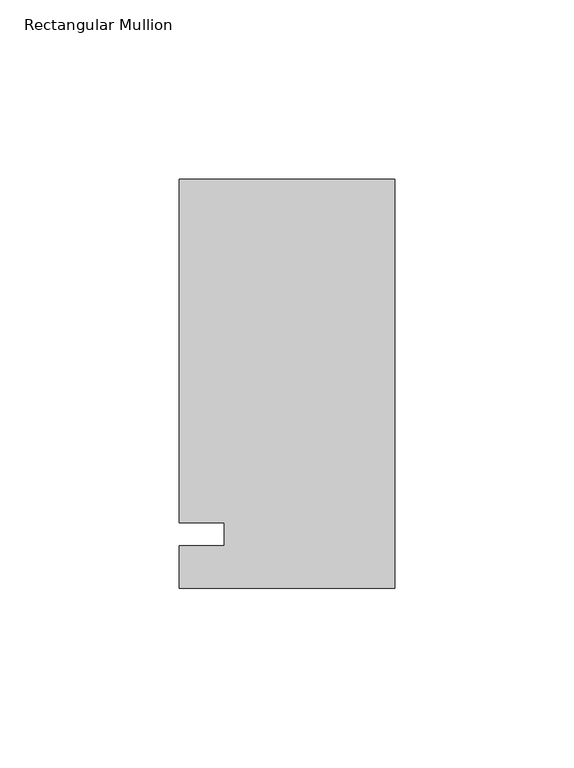
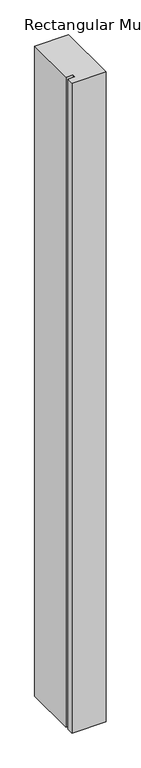
"""IFC4 building model written with IfcOpenShell, lengths in millimetres: member geometry, Rectangular Mullion."""

from ifc_helpers import new_model, si_unit, frame, origin, place, context, project, spatial, polyline, outline, extrude, source, transform, mapped, element, save


def rectangular_mullion_5e664929(model_context):
    return source(origin(), model_context, "Body", "SweptSolid", [
        extrude(outline(polyline([(-60.325, 99.21875), (0.0, 99.21875), (0.0, -15.08125), (-60.325, -15.08125), (-60.325, -3.175), (-47.6232296, -3.175), (-47.6232296, 3.175), (-60.325, 3.175), (-60.325, 99.21875)])), frame((0.0, 0.0, -1219.2), z_axis=(0.0, 0.0, 1.0), x_axis=(1.0, 0.0, 0.0)), (0.0, 0.0, 1.0), 1219.2),
    ])


if __name__ == "__main__":
    model = new_model("IFC4")
    model_context = context("Model", 3, world=origin())
    ifc_project = project(units=[si_unit("LENGTHUNIT", "METRE", prefix="MILLI")], contexts=[model_context])
    site = spatial("IfcSite", under=ifc_project)
    building = spatial("IfcBuilding", under=site)
    placement = place(None, origin())
    rectangular_mullion_shape = rectangular_mullion_5e664929(model_context)
    element("IfcMember", 1, ObjectType="Rectangular Mullion", at=placement, inside=building, context=model_context, shape_type="MappedRepresentation", body=[
        mapped(rectangular_mullion_shape, transform((0.0, 0.0, 0.0), x_axis=(1.0, 0.0, 0.0), y_axis=(0.0, 1.0, 0.0), z_axis=(0.0, 0.0, 1.0))),
    ])
    save(model, "model.ifc")
